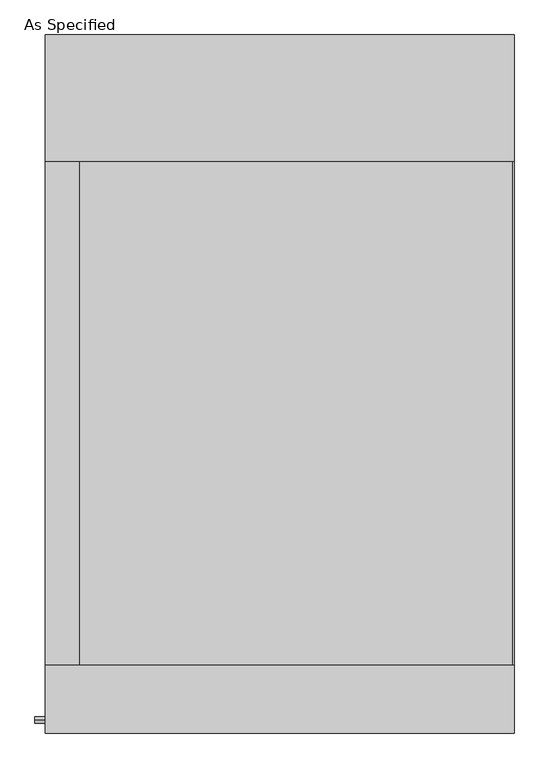
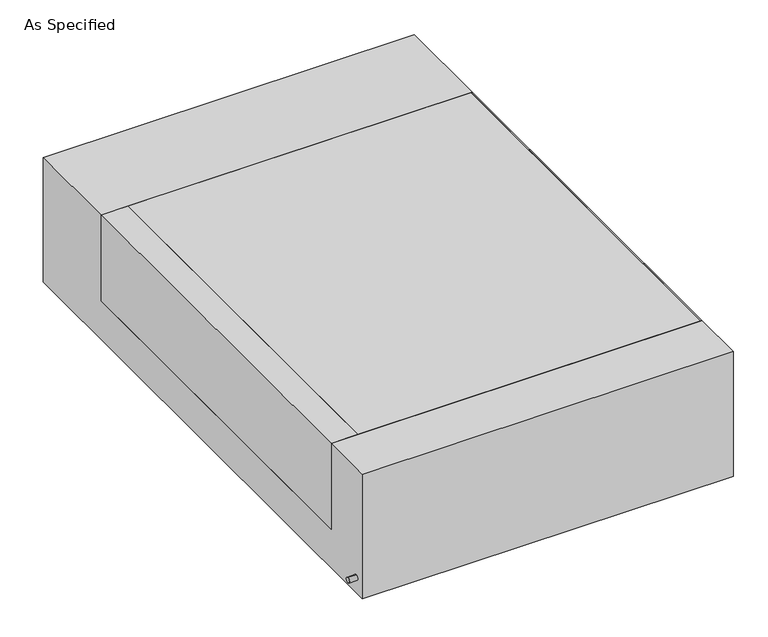
"""IFC4 building model written with IfcOpenShell, lengths in millimetres: proxy geometry, As Specified."""

from ifc_helpers import new_model, si_unit, point, frame, frame_2d, origin, place, context, project, spatial, polyline, circle_curve, trimmed, segment, composite_curve, outline, extrude, source, transform, mapped, element, save


def as_specified_58c06bbb(model_context):
    return source(origin(), model_context, "Body", "SweptSolid", [
        extrude(outline(composite_curve([segment(trimmed(circle_curve(frame_2d((-1017.5875, -466.725)), 10.5), [point((-1017.5875, -456.225))], [point((-1017.5875, -477.225))], False, "CARTESIAN"), True, "CONTINUOUS"), segment(trimmed(circle_curve(frame_2d((-1017.5875, -466.725)), 10.5), [point((-1017.5875, -477.225))], [point((-1017.5875, -456.225))], False, "CARTESIAN"), True, "CONTINUOUS")], self_intersect=False)), frame((-741.4528384, 0.0, 0.0), z_axis=(1.0, 0.0, 0.0), x_axis=(0.0, 1.0, 0.0)), (0.0, 0.0, 1.0), 31.8403384),
        extrude(outline(polyline([(-607.21875, 673.1), (-607.21875, -850.9), (-709.6125, -850.9), (-709.6125, 673.1), (-607.21875, 673.1)])), frame((0.0, 0.0, -373.0625), z_axis=(0.0, 0.0, 1.0), x_axis=(1.0, 0.0, 0.0)), (0.0, 0.0, 1.0), 347.6625),
        extrude(outline(polyline([(705.64375, 673.1), (709.6125, 673.1), (709.6125, -850.9), (705.64375, -850.9), (705.64375, 673.1)])), frame((0.0, 0.0, -39.6875), z_axis=(0.0, 0.0, 1.0), x_axis=(1.0, 0.0, 0.0)), (0.0, 0.0, 1.0), 14.2875),
        extrude(outline(polyline([(709.6125, 673.1), (709.6125, -850.9), (-607.21875, -850.9), (-607.21875, 673.1), (709.6125, 673.1)])), frame((0.0, 0.0, -373.0625), z_axis=(0.0, 0.0, 1.0), x_axis=(1.0, 0.0, 0.0)), (0.0, 0.0, 1.0), 347.6625),
        extrude(outline(polyline([(1057.275, -25.4), (1057.275, -530.225), (-1057.275, -530.225), (-1057.275, -25.4), (-850.9, -25.4), (-850.9, -373.0625), (673.1, -373.0625), (673.1, -25.4), (1057.275, -25.4)])), frame((-709.6125, 0.0, 0.0), z_axis=(1.0, 0.0, 0.0), x_axis=(0.0, 1.0, 0.0)), (0.0, 0.0, 1.0), 1419.225),
    ])


if __name__ == "__main__":
    model = new_model("IFC4")
    model_context = context("Model", 3, world=origin())
    ifc_project = project(units=[si_unit("LENGTHUNIT", "METRE", prefix="MILLI")], contexts=[model_context])
    site = spatial("IfcSite", under=ifc_project)
    building = spatial("IfcBuilding", under=site)
    placement = place(None, origin())
    as_specified_shape = as_specified_58c06bbb(model_context)
    element("IfcBuildingElementProxy", 1, Name="As Specified", ObjectType="As Specified", at=placement, inside=building, context=model_context, shape_type="MappedRepresentation", body=[
        mapped(as_specified_shape, transform((0.0, 0.0, 0.0), x_axis=(1.0, 0.0, 0.0), y_axis=(0.0, 1.0, 0.0), z_axis=(0.0, 0.0, 1.0))),
    ])
    save(model, "model.ifc")
